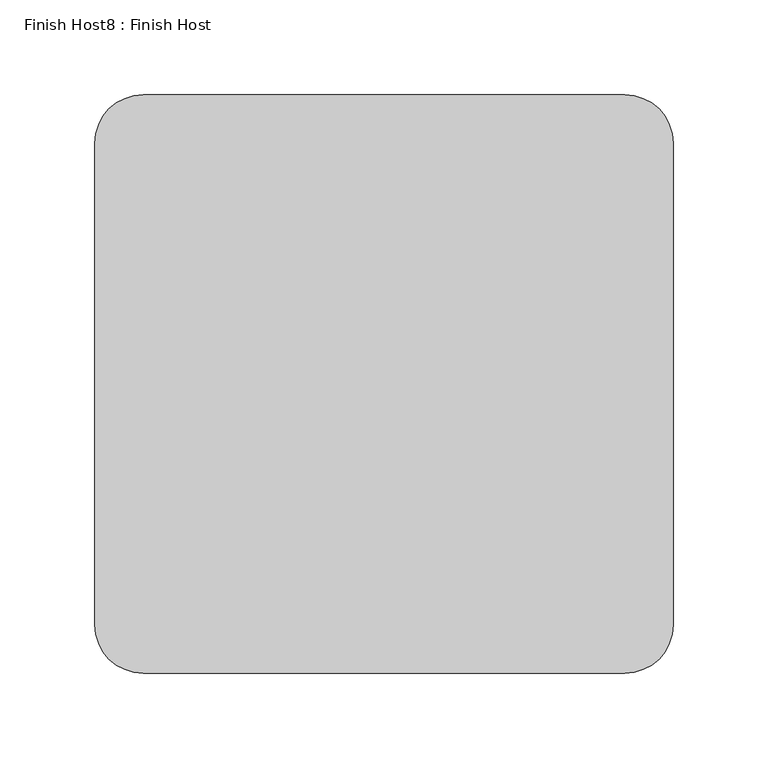
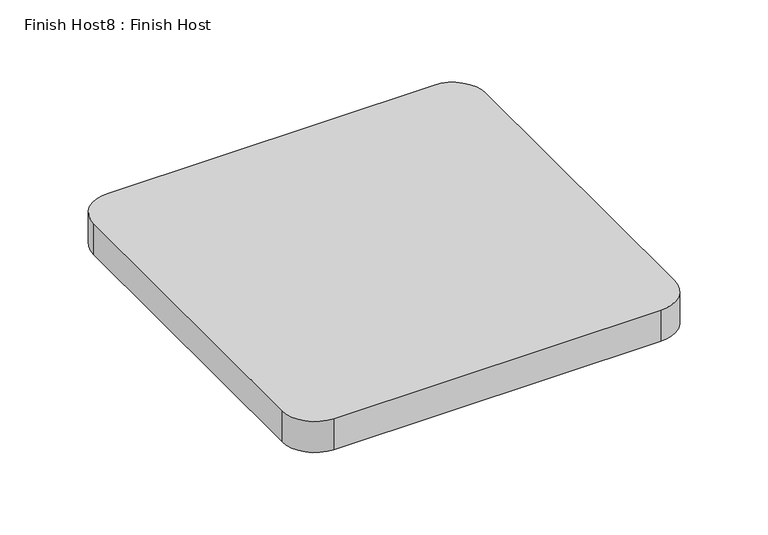
"""IFC4 building model written with IfcOpenShell, lengths in millimetres: proxy geometry, Finish Host8 : Finish Host."""

from ifc_helpers import new_model, si_unit, point, frame_2d, origin, origin_with_axes, place, context, project, spatial, polyline, circle_curve, trimmed, segment, composite_curve, outline, extrude, source, transform, mapped, element, save


def finish_host8_finish_host_85bd6bc4(model_context):
    return source(origin(), model_context, "Body", "SweptSolid", [
        extrude(outline(composite_curve([segment(polyline([(4239.0934426, 1206.8122951), (4239.0934426, 1460.8122951)]), True, "CONTINUOUS"), segment(trimmed(circle_curve(frame_2d((4264.4934426, 1460.8122951)), 25.4), [point((4239.0934426, 1460.8122951))], [point((4264.4934426, 1486.2122951))], False, "CARTESIAN"), True, "CONTINUOUS"), segment(polyline([(4264.4934426, 1486.2122951), (4518.4934426, 1486.2122951)]), True, "CONTINUOUS"), segment(trimmed(circle_curve(frame_2d((4518.4934426, 1460.8122951)), 25.4), [point((4518.4934426, 1486.2122951))], [point((4543.8934426, 1460.8122951))], False, "CARTESIAN"), True, "CONTINUOUS"), segment(polyline([(4543.8934426, 1460.8122951), (4543.8934426, 1206.8122951)]), True, "CONTINUOUS"), segment(trimmed(circle_curve(frame_2d((4518.4934426, 1206.8122951)), 25.4), [point((4543.8934426, 1206.8122951))], [point((4518.4934426, 1181.4122951))], False, "CARTESIAN"), True, "CONTINUOUS"), segment(polyline([(4518.4934426, 1181.4122951), (4264.4934426, 1181.4122951)]), True, "CONTINUOUS"), segment(trimmed(circle_curve(frame_2d((4264.4934426, 1206.8122951)), 25.4), [point((4264.4934426, 1181.4122951))], [point((4239.0934426, 1206.8122951))], False, "CARTESIAN"), True, "CONTINUOUS")], self_intersect=False)), origin_with_axes(), (0.0, 0.0, 1.0), 25.4),
    ])


if __name__ == "__main__":
    model = new_model("IFC4")
    model_context = context("Model", 3, world=origin())
    ifc_project = project(units=[si_unit("LENGTHUNIT", "METRE", prefix="MILLI")], contexts=[model_context])
    site = spatial("IfcSite", under=ifc_project)
    building = spatial("IfcBuilding", under=site)
    placement = place(None, origin())
    finish_host8_finish_host_shape = finish_host8_finish_host_85bd6bc4(model_context)
    element("IfcBuildingElementProxy", 1, Name="Finish Host8 : Finish Host", ObjectType="Finish Host8 : Finish Host", at=placement, inside=building, context=model_context, shape_type="MappedRepresentation", body=[
        mapped(finish_host8_finish_host_shape, transform((0.0, 0.0, 0.0), x_axis=(1.0, 0.0, 0.0), y_axis=(0.0, 1.0, 0.0), z_axis=(0.0, 0.0, 1.0))),
    ])
    save(model, "model.ifc")
